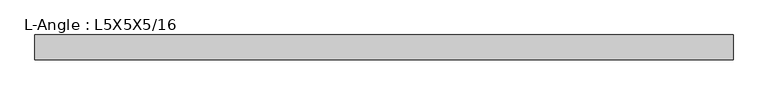
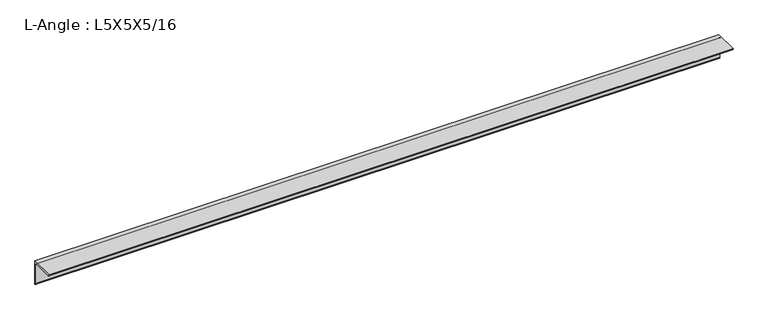
"""IFC4 building model written with IfcOpenShell, lengths in millimetres: beam geometry, L-Angle : L5X5X5/16."""

from ifc_helpers import new_model, si_unit, point, frame, frame_2d, origin, place, context, project, spatial, polyline, circle_curve, trimmed, segment, composite_curve, outline, extrude, source, transform, mapped, element, save


def l_angle_l5x5x5_16_d9c96b44(model_context):
    return source(origin(), model_context, "Body", "SweptSolid", [
        extrude(outline(composite_curve([segment(polyline([(34.3296875, 34.3296875), (34.3296875, -92.6703125)]), True, "CONTINUOUS"), segment(trimmed(circle_curve(frame_2d((34.3296875, -84.7328125)), 7.9375), [point((34.3296875, -92.6703125))], [point((26.3921875, -84.7328125))], False, "CARTESIAN"), True, "CONTINUOUS"), segment(polyline([(26.3921875, -84.7328125), (26.3921875, 18.4546875)]), True, "CONTINUOUS"), segment(trimmed(circle_curve(frame_2d((18.4546875, 18.4546875)), 7.9375), [point((26.3921875, 18.4546875))], [point((18.4546875, 26.3921875))], True, "CARTESIAN"), True, "CONTINUOUS"), segment(polyline([(18.4546875, 26.3921875), (-84.7328125, 26.3921875)]), True, "CONTINUOUS"), segment(trimmed(circle_curve(frame_2d((-84.7328125, 34.3296875)), 7.9375), [point((-84.7328125, 26.3921875))], [point((-92.6703125, 34.3296875))], False, "CARTESIAN"), True, "CONTINUOUS"), segment(polyline([(-92.6703125, 34.3296875), (34.3296875, 34.3296875)]), True, "CONTINUOUS")], self_intersect=False)), frame((-1807.1703125, 0.0, 0.0), z_axis=(1.0, 0.0, 0.0), x_axis=(0.0, 1.0, 0.0)), (0.0, 0.0, 1.0), 3556.0),
    ])


if __name__ == "__main__":
    model = new_model("IFC4")
    model_context = context("Model", 3, world=origin())
    ifc_project = project(units=[si_unit("LENGTHUNIT", "METRE", prefix="MILLI")], contexts=[model_context])
    site = spatial("IfcSite", under=ifc_project)
    building = spatial("IfcBuilding", under=site)
    placement = place(None, origin())
    l_angle_l5x5x5_16_shape = l_angle_l5x5x5_16_d9c96b44(model_context)
    element("IfcBeam", 1, ObjectType="L-Angle : L5X5X5/16", at=placement, inside=building, context=model_context, shape_type="MappedRepresentation", body=[
        mapped(l_angle_l5x5x5_16_shape, transform((0.0, 0.0, 0.0), x_axis=(1.0, 0.0, 0.0), y_axis=(0.0, 1.0, 0.0), z_axis=(0.0, 0.0, 1.0))),
    ])
    save(model, "model.ifc")
